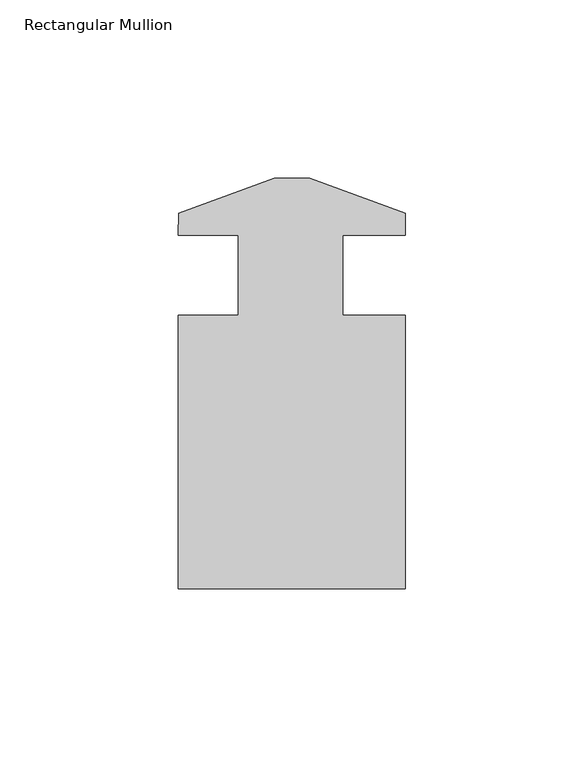
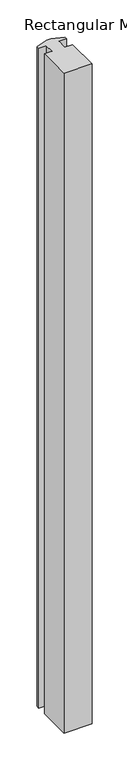
"""IFC4 building model written with IfcOpenShell, lengths in millimetres: member geometry, Rectangular Mullion."""

from ifc_helpers import new_model, si_unit, frame, origin, place, context, project, spatial, polyline, outline, extrude, source, transform, mapped, element, save


def rectangular_mullion_eb770c88(model_context):
    return source(origin(), model_context, "Body", "SweptSolid", [
        extrude(outline(polyline([(-31.6999958, -9.4257812), (-4.9022, 0.3278188), (4.9522042, 0.3278188), (31.75, -9.4257812), (31.75, -15.5217812), (14.2875, -15.5217812), (14.2875, -38.0007812), (31.75, -38.0007812), (31.75, -114.5309812), (-31.75, -114.5309812), (-31.75, -38.0007812), (-15.0622, -38.0007812), (-15.0622, -15.5217813), (-31.75, -15.5217812), (-31.6999958, -9.4257812)])), frame((0.0, 0.0, -1581.15), z_axis=(0.0, 0.0, 1.0), x_axis=(1.0, 0.0, 0.0)), (0.0, 0.0, 1.0), 1581.15),
    ])


if __name__ == "__main__":
    model = new_model("IFC4")
    model_context = context("Model", 3, world=origin())
    ifc_project = project(units=[si_unit("LENGTHUNIT", "METRE", prefix="MILLI")], contexts=[model_context])
    site = spatial("IfcSite", under=ifc_project)
    building = spatial("IfcBuilding", under=site)
    placement = place(None, origin())
    rectangular_mullion_shape = rectangular_mullion_eb770c88(model_context)
    element("IfcMember", 1, ObjectType="Rectangular Mullion", at=placement, inside=building, context=model_context, shape_type="MappedRepresentation", body=[
        mapped(rectangular_mullion_shape, transform((0.0, 0.0, 0.0), x_axis=(1.0, 0.0, 0.0), y_axis=(0.0, 1.0, 0.0), z_axis=(0.0, 0.0, 1.0))),
    ])
    save(model, "model.ifc")
